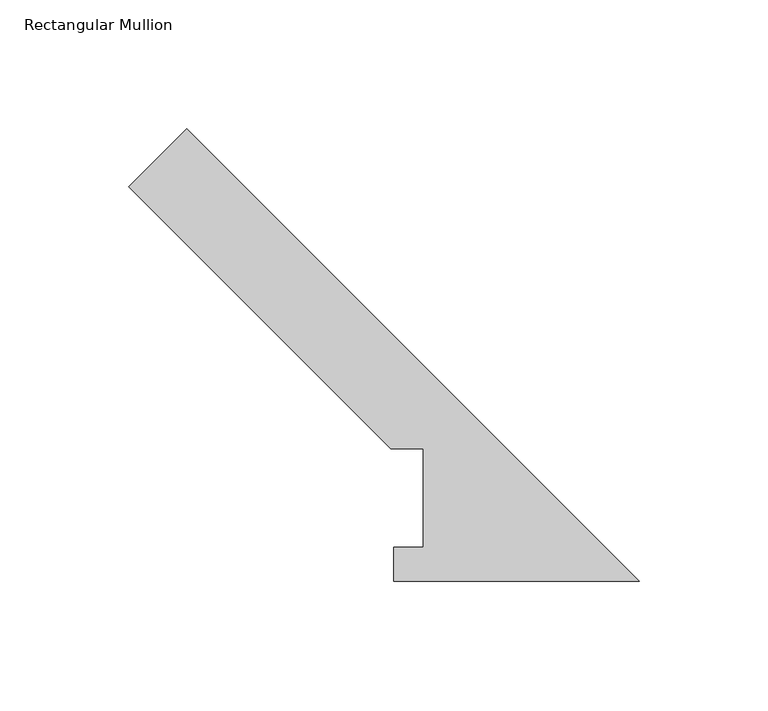
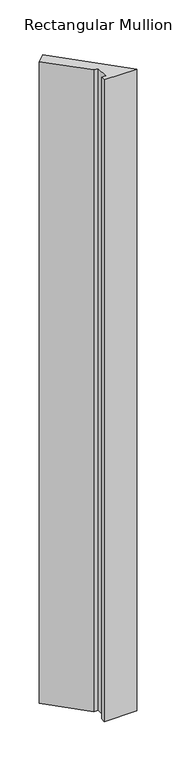
"""IFC4 building model written with IfcOpenShell, lengths in millimetres: member geometry, Rectangular Mullion."""

import ifcopenshell
import ifcopenshell.guid

model = None  # the IFC model being written
_history = None  # IfcOwnerHistory: only IFC2X3 demands one
_inside = {}  # id of a spatial element -> (the spatial element, [elements in it])
_under = {}  # id of a project, library or spatial element -> (it, [spatial elements below it])
_declared = {}  # id of a project -> (the project, [libraries it declares])
_typed = {}  # id of a type object -> (the type object, [elements of that type])
_made_of = {}  # id of a material, layer set ... -> (it, [elements and type objects made of it])


def new_model(schema):
    """Start an empty IFC model of exactly this schema.

    Asked for "IFC4X3", IfcOpenShell would pick the latest addendum, in which some entities
    have other attributes; the version numbers below select the first issue.
    IFC2X3 requires an IfcOwnerHistory on every rooted entity: one is made here for all.
    """
    global model, _history
    if schema == "IFC4X3":
        model = ifcopenshell.file(schema_version=(4, 3, 0, 0))
    else:
        model = ifcopenshell.file(schema=schema)
    _inside.clear()
    _under.clear()
    _declared.clear()
    _typed.clear()
    _made_of.clear()
    _history = None
    if model.schema == "IFC2X3":
        org = make("IfcOrganization", Name="unknown")
        user = make(
            "IfcPersonAndOrganization",
            ThePerson=make("IfcPerson", FamilyName="unknown"),
            TheOrganization=org,
        )
        app = make(
            "IfcApplication",
            ApplicationDeveloper=org,
            Version="unknown",
            ApplicationFullName="unknown",
            ApplicationIdentifier="unknown",
        )
        _history = make(
            "IfcOwnerHistory",
            OwningUser=user,
            OwningApplication=app,
            ChangeAction="ADDED",
            CreationDate=0,
        )
    return model


def make(cls, **values):
    """One entity of the class cls with the attributes given. An attribute that is None is left unset."""
    return model.create_entity(
        cls, **{name: value for name, value in values.items() if value is not None}
    )


def rooted(cls, **values):
    """An entity with a GlobalId (a new one), such as an element, a storey or a relation."""
    return make(cls, GlobalId=ifcopenshell.guid.new(), OwnerHistory=_history, **values)


def si_unit(unit_type, name, prefix=None):
    """IfcSIUnit, for example si_unit("LENGTHUNIT", "METRE", prefix="MILLI")."""
    return make("IfcSIUnit", UnitType=unit_type, Prefix=prefix, Name=name)


def assignment(units):
    """IfcUnitAssignment: the units of a project."""
    return None if units is None else make("IfcUnitAssignment", Units=units)


def point(xyz):
    """IfcCartesianPoint."""
    return None if xyz is None else make("IfcCartesianPoint", Coordinates=xyz)


def direction(xyz):
    """IfcDirection."""
    return None if xyz is None else make("IfcDirection", DirectionRatios=xyz)


def frame(location, z_axis=None, x_axis=None):
    """IfcAxis2Placement3D, a coordinate frame: its origin and axes. An axis left out is left unset."""
    return make(
        "IfcAxis2Placement3D",
        Location=point(location),
        Axis=direction(z_axis),
        RefDirection=direction(x_axis),
    )


def origin():
    """The frame at (0, 0, 0) with its axes left unset."""
    return frame((0.0, 0.0, 0.0))


def place(relative_to, where):
    """IfcLocalPlacement: puts the frame where relative to a parent placement (None: the world)."""
    return make(
        "IfcLocalPlacement", PlacementRelTo=relative_to, RelativePlacement=where
    )


def context(
    kind, dimensions, precision=None, world=None, true_north=None, identifier=None
):
    """IfcGeometricRepresentationContext, for example the 3D "Model" context."""
    return make(
        "IfcGeometricRepresentationContext",
        ContextIdentifier=identifier,
        ContextType=kind,
        CoordinateSpaceDimension=dimensions,
        Precision=precision,
        WorldCoordinateSystem=world,
        TrueNorth=true_north,
    )


def project(units=None, contexts=None):
    """IfcProject with its units and contexts."""
    return rooted(
        "IfcProject",
        Name="project",
        RepresentationContexts=contexts,
        UnitsInContext=assignment(units),
    )


def spatial(cls, under=None, at=None, **own):
    """A site, building, storey or space (cls), placed at a placement, below another one or the project."""
    s = rooted(cls, ObjectPlacement=at, **own)
    if under is not None:
        _under.setdefault(under.id(), (under, []))[1].append(s)
    return s


def polyline(points):
    """IfcPolyline through the points."""
    return make("IfcPolyline", Points=[point(p) for p in points])


def outline(outer, holes=None, kind="AREA"):
    """IfcArbitraryClosedProfileDef: a profile drawn as a closed curve; with holes, ...WithVoids."""
    if holes is None:
        return make("IfcArbitraryClosedProfileDef", ProfileType=kind, OuterCurve=outer)
    return make(
        "IfcArbitraryProfileDefWithVoids",
        ProfileType=kind,
        OuterCurve=outer,
        InnerCurves=holes,
    )


def extrude(swept, where, along, depth):
    """IfcExtrudedAreaSolid: the profile swept, set in the frame where, extruded along a direction by depth."""
    return make(
        "IfcExtrudedAreaSolid",
        SweptArea=swept,
        Position=where,
        ExtrudedDirection=direction(along),
        Depth=depth,
    )


def shape(context_of_items, identifier, shape_type, items):
    """IfcShapeRepresentation: the items that make up one representation, for example the "Body"."""
    return make(
        "IfcShapeRepresentation",
        ContextOfItems=context_of_items,
        RepresentationIdentifier=identifier,
        RepresentationType=shape_type,
        Items=items,
    )


def source(mapping_origin, context_of_items, identifier, shape_type, items):
    """IfcRepresentationMap: a shape defined once, which mapped items show again and again."""
    return make(
        "IfcRepresentationMap",
        MappingOrigin=mapping_origin,
        MappedRepresentation=shape(context_of_items, identifier, shape_type, items),
    )


def transform(
    local_origin,
    x_axis=None,
    y_axis=None,
    z_axis=None,
    scale=None,
    scale2=None,
    scale3=None,
    uniform=True,
):
    """IfcCartesianTransformationOperator3D, or its non-uniform kind. x_axis, y_axis, z_axis: its Axis1, 2, 3."""
    if uniform:
        return make(
            "IfcCartesianTransformationOperator3D",
            Axis1=direction(x_axis),
            Axis2=direction(y_axis),
            LocalOrigin=point(local_origin),
            Scale=scale,
            Axis3=direction(z_axis),
        )
    return make(
        "IfcCartesianTransformationOperator3DnonUniform",
        Axis1=direction(x_axis),
        Axis2=direction(y_axis),
        LocalOrigin=point(local_origin),
        Scale=scale,
        Axis3=direction(z_axis),
        Scale2=scale2,
        Scale3=scale3,
    )


def mapped(mapping_source, mapping_target):
    """IfcMappedItem: shows the shape of a source again, moved by a transform."""
    return make(
        "IfcMappedItem", MappingSource=mapping_source, MappingTarget=mapping_target
    )


def made_of(thing, what):
    """Note that an element or type object is made of a material, layer set ...; save() writes the relation."""
    if what is not None:
        _made_of.setdefault(what.id(), (what, []))[1].append(thing)
    return thing


def element(
    cls,
    number,
    at=None,
    inside=None,
    cuts=None,
    type_object=None,
    material=None,
    context=None,
    identifier="Body",
    shape_type=None,
    held_by="IfcProductDefinitionShape",
    body=None,
    shapes=None,
    **own,
):
    """One element of the class cls, such as IfcWall. Its Tag is "e" and its number.

    at: its placement. inside: the storey or other place that contains it. cuts: it is an
    opening in that element (IfcRelVoidsElement). A single representation is given by context,
    identifier, shape_type and body (its items); several are given by shapes. held_by: the class
    of the entity that holds the representations. save() writes the other relations.
    """
    e = rooted(cls, Tag="e%d" % number, ObjectPlacement=at, **own)
    if body is not None:
        shapes = [shape(context, identifier, shape_type, body)]
    if shapes is not None:
        e.Representation = make(held_by, Representations=shapes)
    if inside is not None:
        _inside.setdefault(inside.id(), (inside, []))[1].append(e)
    if cuts is not None:
        rooted(
            "IfcRelVoidsElement", RelatingBuildingElement=cuts, RelatedOpeningElement=e
        )
    if type_object is not None:
        _typed.setdefault(type_object.id(), (type_object, []))[1].append(e)
    return made_of(e, material)


def aggregate(whole, parts):
    """IfcRelAggregates: a whole, such as a stair, and the parts it consists of."""
    return rooted("IfcRelAggregates", RelatingObject=whole, RelatedObjects=parts)


def save(model, path):
    """Write the relations noted so far, then the file.

    IfcRelAggregates (storeys below a building ...), IfcRelContainedInSpatialStructure (elements
    in a storey), IfcRelDefinesByType, IfcRelAssociatesMaterial and IfcRelDeclares: one each for
    every whole, place, type object, material and project.
    """
    for whole, parts in _under.values():
        aggregate(whole, parts)
    for where, things in _inside.values():
        rooted(
            "IfcRelContainedInSpatialStructure",
            RelatedElements=things,
            RelatingStructure=where,
        )
    for kind, things in _typed.values():
        rooted("IfcRelDefinesByType", RelatedObjects=things, RelatingType=kind)
    for what, things in _made_of.values():
        rooted("IfcRelAssociatesMaterial", RelatedObjects=things, RelatingMaterial=what)
    for by, libraries in _declared.values():
        rooted("IfcRelDeclares", RelatingContext=by, RelatedDefinitions=libraries)
    model.write(path)


def rectangular_mullion_8be14eb2(model_context):
    return source(origin(), model_context, "Body", "SweptSolid", [
        extrude(outline(polyline([(-197.7516598, 152.8653489), (-175.3010194, 175.3159893), (0.0, 0.0149699), (-95.1734192, 0.0149699), (-95.1734192, 13.1975699), (-83.5816233, 13.1975699), (-83.5816233, 51.3953125), (-96.2816234, 51.3953125), (-197.7516598, 152.8653489)])), frame((0.0, 0.0, -1993.8843221), z_axis=(0.0, 0.0, 1.0), x_axis=(1.0, 0.0, 0.0)), (0.0, 0.0, 1.0), 1993.8843221),
    ])


if __name__ == "__main__":
    model = new_model("IFC4")
    model_context = context("Model", 3, world=origin())
    ifc_project = project(units=[si_unit("LENGTHUNIT", "METRE", prefix="MILLI")], contexts=[model_context])
    site = spatial("IfcSite", under=ifc_project)
    building = spatial("IfcBuilding", under=site)
    placement = place(None, origin())
    rectangular_mullion_shape = rectangular_mullion_8be14eb2(model_context)
    element("IfcMember", 1, ObjectType="Rectangular Mullion", at=placement, inside=building, context=model_context, shape_type="MappedRepresentation", body=[
        mapped(rectangular_mullion_shape, transform((0.0, 0.0, 0.0), x_axis=(1.0, 0.0, 0.0), y_axis=(0.0, 1.0, 0.0), z_axis=(0.0, 0.0, 1.0))),
    ])
    save(model, "model.ifc")
